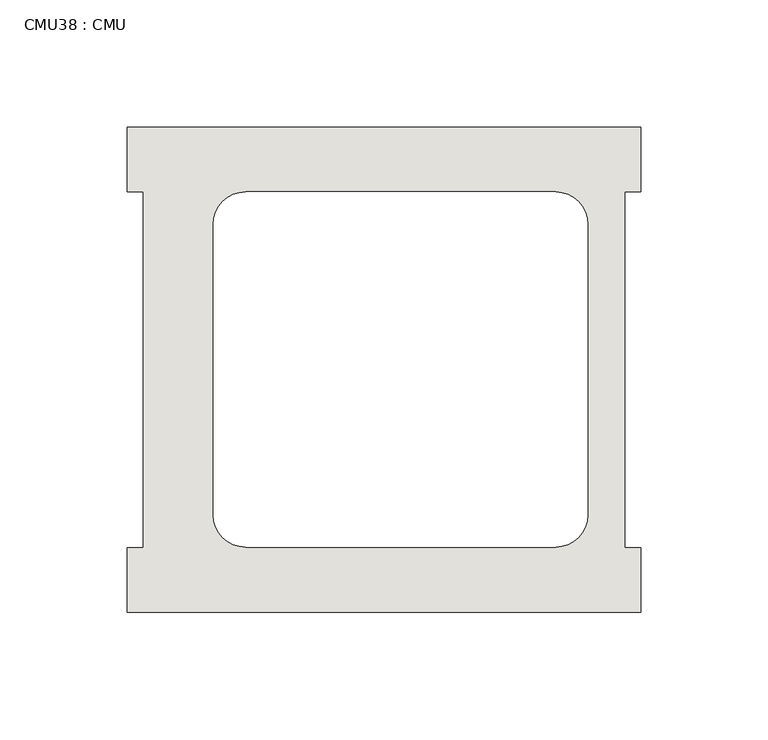
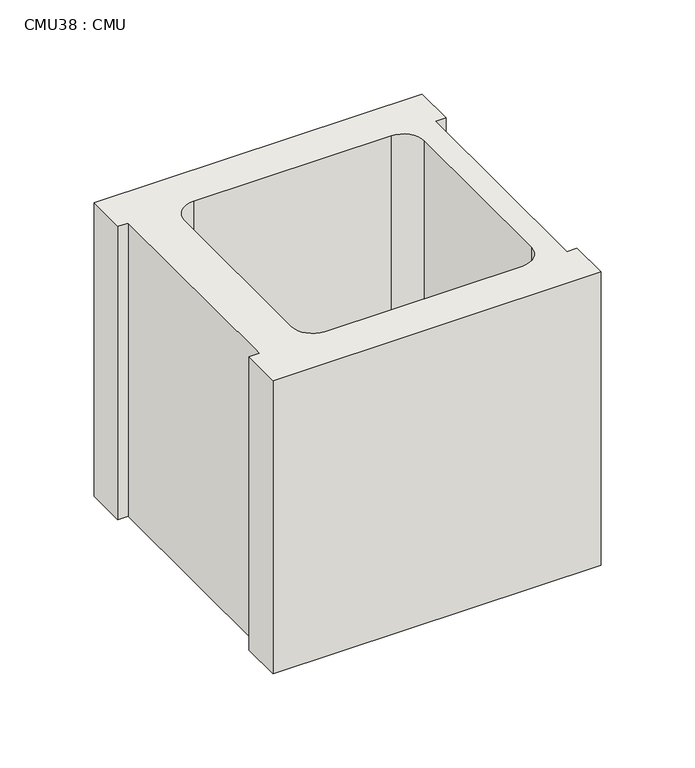
"""IFC4 building model written with IfcOpenShell, lengths in millimetres: wall geometry, CMU38 : CMU."""

from ifc_helpers import new_model, si_unit, point, frame, frame_2d, origin, place, context, project, spatial, polyline, circle_curve, trimmed, segment, composite_curve, outline, extrude, source, transform, mapped, element, save


def cmu38_cmu_a6cd078b(model_context):
    return source(origin(), model_context, "Body", "SweptSolid", [
        extrude(outline(polyline([(-647.9939032, 2871.3003704), (-446.3814032, 2871.3003704), (-446.3814032, 2845.9003704), (-452.7314032, 2845.9003704), (-452.7314032, 2706.2003704), (-446.3814032, 2706.2003704), (-446.3814032, 2680.8003704), (-647.9939032, 2680.8003704), (-647.9939032, 2706.2003704), (-641.6439032, 2706.2003704), (-641.6439032, 2845.9003704), (-647.9939032, 2845.9003704), (-647.9939032, 2871.3003704)]), holes=[composite_curve([segment(polyline([(-479.8259045, 2845.9003704), (-601.5425546, 2845.9003704)]), True, "CONTINUOUS"), segment(trimmed(circle_curve(frame_2d((-601.5425546, 2833.2003704)), 12.7), [point((-601.5425546, 2845.9003704))], [point((-614.2425546, 2833.2003704))], True, "CARTESIAN"), True, "CONTINUOUS"), segment(polyline([(-614.2425546, 2833.2003704), (-614.2425546, 2719.1345307)]), True, "CONTINUOUS"), segment(trimmed(circle_curve(frame_2d((-601.5425546, 2719.1345307)), 12.7), [point((-614.2425546, 2719.1345307))], [point((-601.5425546, 2706.4345307))], True, "CARTESIAN"), True, "CONTINUOUS"), segment(polyline([(-601.5425546, 2706.4345307), (-479.8259045, 2706.4345307)]), True, "CONTINUOUS"), segment(trimmed(circle_curve(frame_2d((-479.8259045, 2719.1345307)), 12.7), [point((-479.8259045, 2706.4345307))], [point((-467.1259045, 2719.1345307))], True, "CARTESIAN"), True, "CONTINUOUS"), segment(polyline([(-467.1259045, 2719.1345307), (-467.1259045, 2833.2003704)]), True, "CONTINUOUS"), segment(trimmed(circle_curve(frame_2d((-479.8259045, 2833.2003704)), 12.7), [point((-467.1259045, 2833.2003704))], [point((-479.8259045, 2845.9003704))], True, "CARTESIAN"), True, "CONTINUOUS")], self_intersect=False)]), frame((0.0, 0.0, 203.2), z_axis=(0.0, 0.0, 1.0), x_axis=(1.0, 0.0, 0.0)), (0.0, 0.0, 1.0), 190.5),
    ])


if __name__ == "__main__":
    model = new_model("IFC4")
    model_context = context("Model", 3, world=origin())
    ifc_project = project(units=[si_unit("LENGTHUNIT", "METRE", prefix="MILLI")], contexts=[model_context])
    site = spatial("IfcSite", under=ifc_project)
    building = spatial("IfcBuilding", under=site)
    placement = place(None, origin())
    cmu38_cmu_shape = cmu38_cmu_a6cd078b(model_context)
    element("IfcWall", 1, ObjectType="CMU38 : CMU", at=placement, inside=building, context=model_context, shape_type="MappedRepresentation", body=[
        mapped(cmu38_cmu_shape, transform((0.0, 0.0, 0.0), x_axis=(1.0, 0.0, 0.0), y_axis=(0.0, 1.0, 0.0), z_axis=(0.0, 0.0, 1.0))),
    ])
    save(model, "model.ifc")
